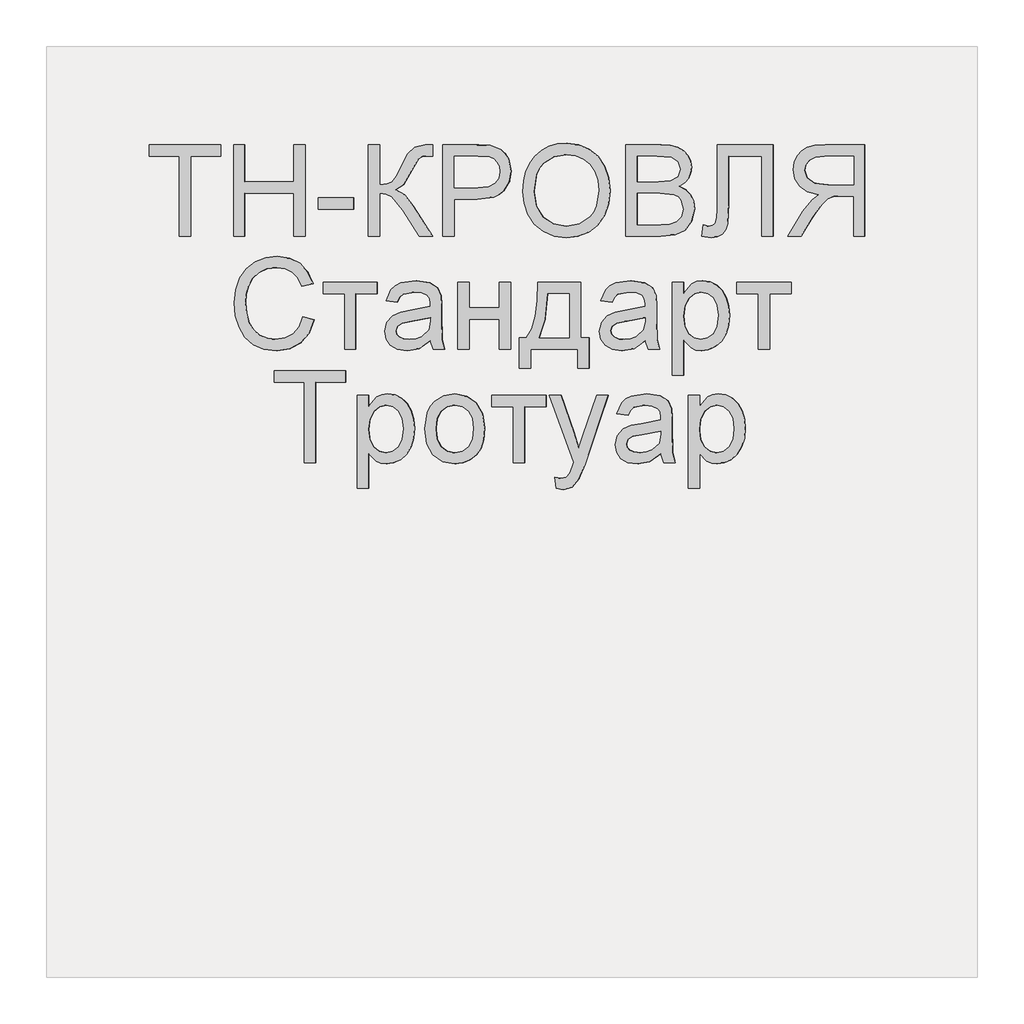
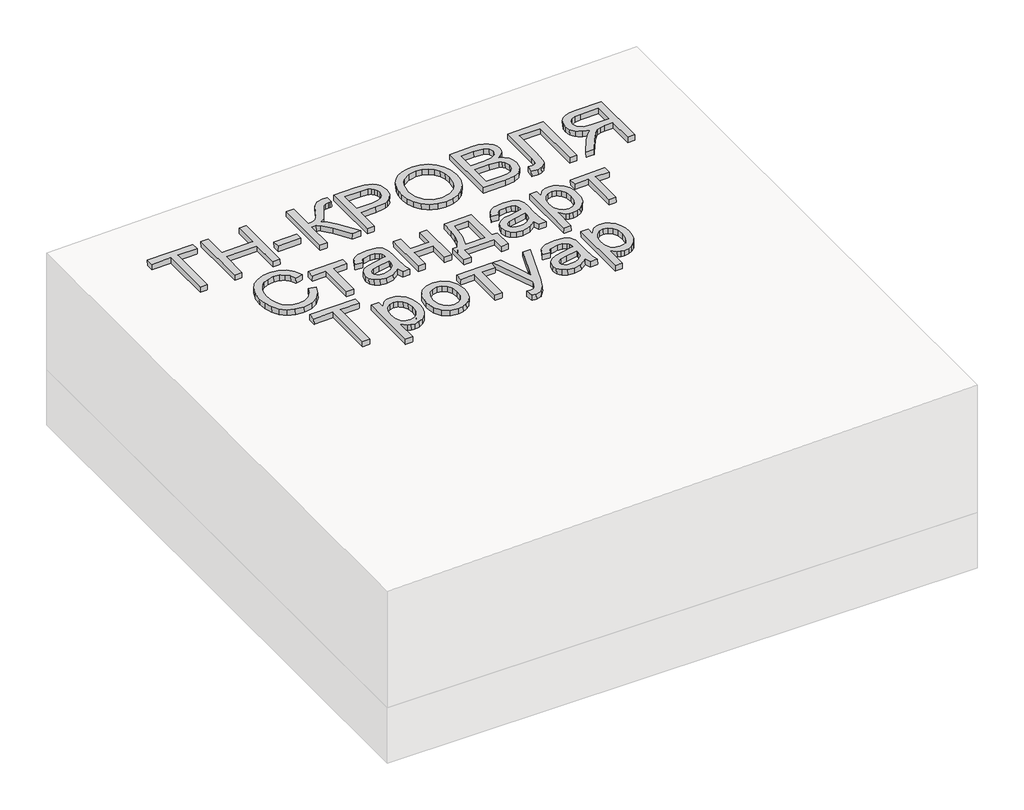
# One storey, part 3 of 3: 1 proxy.
"""IFC4 building model written with IfcOpenShell, lengths in millimetres."""

from ifc_helpers import new_model, si_unit, frame, origin, place, context, project, spatial, polyline, outline, extrude, element, save

model = new_model("IFC4")

# Units and contexts
model_context = context("Model", 3, world=origin())
ifc_project = project(units=[si_unit("LENGTHUNIT", "METRE", prefix="MILLI")], contexts=[model_context])

# Site, building, storey
site = spatial("IfcSite", under=ifc_project)
building = spatial("IfcBuilding", under=site)
storey = spatial("IfcBuildingStorey", under=building, Elevation=0.0)

# Proxy
placement = place(None, origin())
element("IfcBuildingElementProxy", 1, Name="Generic Models", at=placement, inside=storey, context=model_context, shape_type="SweptSolid", body=[
    extrude(outline(polyline([(24.6153846, 0.0), (24.6153846, -172.3076923), (89.2307692, -172.3076923), (89.2307692, -196.9230769), (-64.6153847, -196.9230769), (-64.6153847, -172.3076923), (0.0, -172.3076923), (0.0, 0.0), (24.6153846, 0.0)])), frame((64016.2780856, -4710.2316754, 423.1976498), z_axis=(-0.01999600119956399, 0.0, 0.9998000599800078), x_axis=(-0.9998000599800078, 0.0, -0.01999600119956399)), (0.0, 0.0, 1.0), 20.0),
    extrude(outline(polyline([(24.6153847, 0.0), (24.6153847, -196.9230769), (0.0, -196.9230769), (0.0, -116.9230769), (-104.6153846, -116.9230769), (-104.6153846, -196.9230769), (-129.2307692, -196.9230769), (-129.2307692, 0.0), (-104.6153846, 0.0), (-104.6153846, -92.3076923), (0.0, -92.3076923), (0.0, 0.0), (24.6153847, 0.0)])), frame((64133.177785, -4710.2316754, 425.5356438), z_axis=(-0.01999600119956399, 0.0, 0.9998000599800078), x_axis=(-0.9998000599800078, 0.0, -0.01999600119956399)), (0.0, 0.0, 1.0), 20.0),
    extrude(outline(polyline([(76.9230769, 0.0), (76.9230769, -24.6153846), (0.0, -24.6153846), (0.0, 0.0), (76.9230769, 0.0)])), frame((64366.9771836, -4651.7701369, 430.2116318), z_axis=(-0.01999600119956399, 0.0, 0.9998000599800078), x_axis=(-0.9998000599800078, 0.0, -0.01999600119956399)), (0.0, 0.0, 1.0), 20.0),
    extrude(outline(polyline([(196.9230769, 0.0), (196.9230769, -24.6153846), (110.7692308, -24.6153846), (112.3978365, -41.280048), (117.2836538, -52.1394231), (128.7800481, -60.9194711), (150.2403846, -71.3461539), (177.7644231, -84.9278846), (191.3942308, -100.3125), (196.9230769, -122.3076923), (196.6346154, -138.4615384), (172.0192308, -138.4615384), (172.1634615, -133.0288461), (172.3076923, -127.5961538), (170.8293269, -116.3221153), (166.3942308, -108.3653846), (141.0576923, -93.75), (110.1923077, -76.3221153), (100.0, -59.326923), (88.8701923, -78.3293269), (65.6730769, -97.0673076), (0.0, -138.4615384), (0.0, -109.9038462), (55.4807692, -74.9038462), (84.4471154, -50.2644231), (90.3425481, -38.8882211), (92.3076923, -24.6153846), (0.0, -24.6153846), (0.0, 0.0), (196.9230769, 0.0)])), frame((64397.7402624, -4710.2316754, 430.8268933), z_axis=(-0.019996001199563986, 0.0, 0.9998000599800078), x_axis=(0.0, 1.0, 0.0)), (0.0, 0.0, 1.0), 20.0),
    extrude(outline(polyline([(24.6153846, 0.0), (24.6153846, -196.9230769), (-48.3653846, -196.9230769), (-77.7884615, -195.0480769), (-101.7067307, -185.8413461), (-110.4026442, -177.6802885), (-117.2115385, -166.8028846), (-123.0769231, -139.9519231), (-119.1165866, -116.7427885), (-107.2355769, -97.4038461), (-97.7208533, -89.7896635), (-85.0180288, -84.3509615), (-50.0480769, -80.0), (0.0, -80.0), (0.0, 0.0), (24.6153846, 0.0)]), holes=[polyline([(0.0, -104.6153846), (-51.4903846, -104.6153846), (-73.3173077, -106.875), (-87.7403846, -113.6538461), (-95.78125, -124.53125), (-98.4615384, -139.0865385), (-96.8810096, -150.1442308), (-92.1394231, -159.4711538), (-84.8257212, -166.4903846), (-75.5288461, -170.625), (-50.9134615, -172.3076923), (0.0, -172.3076923), (0.0, -104.6153846)])]), frame((64582.318735, -4710.2316754, 434.5184628), z_axis=(-0.01999600119956399, 0.0, 0.9998000599800078), x_axis=(-0.9998000599800078, 0.0, -0.01999600119956399)), (0.0, 0.0, 1.0), 20.0),
    extrude(outline(polyline([(25.3428445, -1e-07), (48.1160484, -4.1938573), (67.8912361, -11.3545774), (84.6684074, -21.48216), (98.4475626, -34.5766053), (108.9049086, -49.9093782), (115.7166524, -66.7519435), (118.8827941, -85.1043011), (118.4033337, -104.9664513), (112.3116986, -130.2760815), (100.0658902, -152.2136344), (82.4868293, -169.6009172), (60.3954366, -181.2597367), (34.812491, -187.0380148), (6.7587717, -186.783673), (-21.0136463, -180.6528553), (-44.9882084, -168.8870738), (-63.9421569, -152.1247695), (-76.6527338, -131.0043836), (-83.1347827, -107.1750808), (-83.4031474, -82.2860261), (-77.1659621, -56.5935493), (-64.600884, -34.5586152), (-46.7404789, -17.2511253), (-24.6173127, -5.740981), (0.0, 0.0), (25.3428445, -1e-07)]), holes=[polyline([(22.3721769, -24.4366545), (-8.7890431, -25.9094148), (-33.7562618, -37.9787803), (-50.9832576, -58.3865327), (-58.9238091, -84.8744542), (-57.0179297, -112.8610055), (-44.5775814, -136.6179286), (-34.5460353, -146.3414542), (-22.1589798, -153.8699217), (9.6816594, -162.341683), (31.570013, -162.6815636), (50.9840871, -158.5364568), (67.4340475, -150.0149318), (80.43006, -137.2255582), (89.4380632, -121.0520254), (93.9239955, -102.3780232), (92.2935561, -75.5530128), (81.0850249, -51.6494365), (71.4163804, -41.5325654), (58.4080243, -33.6248114), (22.3721769, -24.4366545)])]), frame((64732.7934507, -4639.5525889, 437.5279571), z_axis=(-0.019996001199563993, 0.0, 0.9998000599800079), x_axis=(-0.11095588221386114, 0.9938228553011974, -0.0022191176442731913)), (0.0, 0.0, 1.0), 20.0),
    extrude(outline(polyline([(74.5673077, 0.0), (74.5673077, -196.9230769), (-0.576923, -196.9230769), (-21.2439904, -195.4747596), (-37.3798077, -191.1298077), (-49.7475961, -183.7800481), (-59.110577, -173.3173077), (-65.0060096, -161.0096154), (-66.9711538, -148.125), (-65.3185096, -136.2680288), (-60.3605769, -125.1201923), (-52.0612981, -115.3665865), (-40.3846154, -107.6923077), (-54.3329327, -100.4086538), (-64.6394231, -89.3269231), (-71.0036058, -75.1802885), (-73.125, -58.7019231), (-67.3317308, -32.2355769), (-52.9807693, -13.3894231), (-31.5625, -3.3894231), (0.0, 0.0), (74.5673077, 0.0)]), holes=[polyline([(49.9519231, -116.9230769), (5.0, -116.9230769), (-21.25, -119.0384615), (-37.0432692, -128.1490385), (-42.3557692, -144.1826923), (-37.4038461, -160.2403846), (-23.2211538, -169.7355769), (8.4134615, -172.3076923), (49.9519231, -172.3076923), (49.9519231, -116.9230769)]), polyline([(49.9519231, -24.6153846), (-0.5288461, -24.6153846), (-18.7980769, -25.5769231), (-34.2548077, -30.9375), (-44.4951924, -41.875), (-48.5096154, -58.4615385), (-43.7980769, -77.5961538), (-37.626202, -84.5132211), (-28.5336538, -89.0144231), (1.875, -92.3076923), (49.9519231, -92.3076923), (49.9519231, -24.6153846)])]), frame((65026.0280789, -4710.2316754, 443.3926497), z_axis=(-0.019996001199563986, 0.0, 0.9998000599800078), x_axis=(-0.9998000599800078, 0.0, -0.019996001199563986)), (0.0, 0.0, 1.0), 20.0),
    extrude(outline(polyline([(137.6442308, 0.0), (137.6442308, -120.0), (-59.2788461, -120.0), (-59.2788461, -95.3846154), (113.0288462, -95.3846154), (113.0288462, -24.6153846), (12.548077, -24.6153846), (-32.2836538, -21.7548078), (-44.951923, -17.3257212), (-54.4471153, -9.7596154), (-60.3786057, 0.6009616), (-62.3557692, 13.4134615), (-59.2788461, 33.8461538), (-34.6634615, 30.7692307), (-37.7403846, 18.9903845), (-36.0877403, 10.6670673), (-31.1298076, 4.7355769), (-20.0420673, 1.1838942), (0.0, 0.0), (137.6442308, 0.0)])), frame((65148.3593843, -4650.9528293, 445.8392758), z_axis=(-0.019996001199563986, 0.0, 0.9998000599800078), x_axis=(0.0, 1.0, 0.0)), (0.0, 0.0, 1.0), 20.0),
    extrude(outline(polyline([(24.6153846, -110.7692308), (0.0, -110.7692308), (0.0, -24.6153847), (-29.7115384, -24.6153847), (-43.9903845, -25.4807693), (-55.6971154, -30.1682693), (-68.7019231, -42.9326923), (-87.2115385, -69.9519231), (-112.8365384, -110.7692308), (-141.4423077, -110.7692308), (-108.6057692, -57.4038462), (-88.6538462, -32.0673077), (-74.6634615, -21.5384616), (-98.9122596, -15.0120193), (-115.889423, -3.2211539), (-125.8954326, 12.8605769), (-129.2307692, 32.2596153), (-127.2175481, 47.8545673), (-121.1778846, 62.0432692), (-111.7668269, 73.4855769), (-99.639423, 80.8413461), (-83.046875, 84.8257211), (-60.2403846, 86.1538461), (24.6153846, 86.1538461), (24.6153846, -110.7692308)]), holes=[polyline([(0.0, 0.0), (0.0, 61.5384615), (-61.2980769, 61.5384615), (-80.7752404, 59.4110577), (-94.2067307, 53.0288461), (-102.0132211, 43.3533653), (-104.6153846, 31.3461538), (-99.1586538, 14.639423), (-83.1971153, 3.4855769), (-55.0961538, 0.0), (0.0, 0.0)])]), frame((65440.6086326, -4599.4624446, 451.6842607), z_axis=(-0.019996001199563986, 0.0, 0.9998000599800078), x_axis=(0.9998000599800078, 0.0, 0.019996001199563986)), (0.0, 0.0, 1.0), 20.0),
    extrude(outline(polyline([(22.5354079, 0.0), (25.296308, -25.2699081), (-5.5506296, -24.7796777), (-31.452572, -15.5094536), (-51.7172012, 1.8643535), (-65.6521993, 26.6653331), (-72.7161385, 54.5176714), (-71.6541095, 79.1565775), (-62.9869172, 101.0084673), (-47.2353669, 120.4997568), (-26.1873801, 136.7174457), (-1.6308787, 148.7485329), (26.2607092, 156.1677693), (52.5465361, 156.7492124), (76.3287427, 150.6419577), (96.7094698, 137.9951011), (113.000055, 120.0196259), (124.5118356, 97.9265161), (130.46148, 71.3235407), (127.5854564, 46.3849146), (116.3008345, 24.0133528), (97.024684, 5.1115705), (82.8399673, 26.0666107), (96.6174416, 40.3925606), (104.0173216, 55.650124), (105.4046693, 72.1313637), (101.1445464, 90.1283426), (91.2118017, 108.9763124), (77.6877546, 122.4335433), (61.4947541, 130.4051578), (43.5551486, 132.7962781), (25.0378535, 130.8321413), (7.1117836, 125.7379848), (-13.5055529, 115.9656325), (-29.9321499, 103.8061216), (-41.3909419, 89.328116), (-47.1048631, 72.6002794), (-47.6221488, 54.9380281), (-43.4910345, 37.6567782), (-33.3749751, 19.5140243), (-18.757379, 6.7332199), (0.0, 0.0), (22.5354079, 0.0)])), frame((64249.8071057, -4904.3903293, 427.8682302), z_axis=(-0.01999600119956399, 0.0, 0.9998000599800079), x_axis=(0.35327287482616365, 0.9354936425344765, 0.0070654574965105105)), (0.0, 0.0, 1.0), 20.0),
    extrude(outline(polyline([(24.6153846, 0.0), (24.6153846, -116.9230769), (0.0, -116.9230769), (0.0, -70.7692307), (-120.0, -70.7692307), (-120.0, -46.1538461), (0.0, -46.1538461), (0.0, 0.0), (24.6153846, 0.0)])), frame((64300.8365643, -4833.3085985, 428.8888194), z_axis=(-0.019996001199563986, 0.0, 0.9998000599800078), x_axis=(0.0, 1.0, 0.0)), (0.0, 0.0, 1.0), 20.0),
    extrude(outline(polyline([(19.4601703, 0.0), (11.1819963, 27.9207833), (14.9143961, 54.4732733), (24.1902839, 73.0649574), (37.3011934, 84.6897486), (52.8826325, 89.3590492), (69.5701086, 87.0842617), (86.5521477, 76.4571844), (96.0465823, 60.2429097), (98.2586564, 41.3376585), (95.0355657, 19.9618777), (89.5623928, -23.2153749), (94.7162973, -25.0853756), (105.6740455, -26.9515756), (114.1004512, -24.401229), (122.7587066, -15.3020791), (129.4557418, -0.8361791), (132.8384667, 24.2872046), (128.8153045, 32.9891694), (120.6530554, 40.8663575), (131.356149, 63.2455533), (150.7935144, 45.5413593), (155.5977439, 34.3745663), (157.376525, 20.7448456), (151.804531, -11.6304923), (138.2204199, -38.5478606), (122.4698447, -51.0601419), (104.2335367, -52.9377443), (83.4202766, -47.266929), (54.3668506, -37.5824537), (13.4016719, -25.2450099), (-7.7840681, -23.3522042), (0.0, 0.0), (19.4601703, 0.0)]), holes=[polyline([(66.1645788, -15.5681361), (71.5617354, 24.4924486), (74.4731593, 45.8454244), (71.3488898, 56.9970142), (63.4279923, 63.1847402), (55.9042801, 63.7605636), (48.4755881, 60.4405522), (41.8184616, 53.1258847), (36.6094453, 41.7177399), (33.8253486, 28.7094523), (34.3213549, 16.2294779), (42.7667647, -3.5119525), (59.5967713, -13.2268344), (66.1645788, -15.5681361)])]), frame((64537.7122708, -4953.3085985, 433.6263335), z_axis=(-0.01999600119956399, 0.0, 0.9998000599800079), x_axis=(-0.31616453943106126, 0.9486832980504862, -0.006323290788609771)), (0.0, 0.0, 1.0), 20.0),
    extrude(outline(polyline([(144.6153846, 0.0), (144.6153846, -24.6153846), (89.2307692, -24.6153846), (89.2307692, -89.2307692), (144.6153846, -89.2307692), (144.6153846, -113.8461538), (0.0, -113.8461538), (0.0, -89.2307692), (64.6153846, -89.2307692), (64.6153846, -24.6153846), (0.0, -24.6153846), (0.0, 0.0), (144.6153846, 0.0)])), frame((64590.0095047, -4953.3085985, 434.6722782), z_axis=(-0.019996001199563986, 0.0, 0.9998000599800078), x_axis=(0.0, 1.0, 0.0)), (0.0, 0.0, 1.0), 20.0),
    extrude(outline(polyline([(39.8055302, 0.0), (42.4115803, -92.2708977), (-77.5405867, -95.6587629), (-77.0193766, -114.1129423), (-141.609005, -115.9371774), (-142.3039517, -91.3316047), (-102.319896, -90.2023163), (-105.1865512, 11.2956711), (-145.1706069, 10.1663827), (-145.8655536, 34.7719554), (-81.2759252, 36.5961905), (-80.8415835, 21.2177075), (-60.3235569, 10.6088538), (-33.3763624, 3.5362846), (0.0, 0.0), (39.8055302, 0.0)]), holes=[polyline([(15.8080359, -22.2248228), (-40.4142184, -18.041203), (-80.0597685, -6.4635618), (-78.2355334, -71.0531902), (17.1110609, -68.3602717), (15.8080359, -22.2248228)])]), frame((64761.1591724, -4848.4828773, 438.0952715), z_axis=(-0.019996001199563983, 0.0, 0.9998000599800078), x_axis=(0.028226564925627008, 0.9996013917241774, 0.0005645312985115364)), (0.0, 0.0, 1.0), 20.0),
    extrude(outline(polyline([(19.4601703, 0.0), (11.1819963, 27.9207833), (14.9143961, 54.4732733), (24.1902839, 73.0649574), (37.3011934, 84.6897486), (52.8826325, 89.3590492), (69.5701086, 87.0842617), (86.5521477, 76.4571844), (96.0465823, 60.2429097), (98.2586564, 41.3376585), (95.0355657, 19.9618777), (89.5623928, -23.2153749), (94.7162973, -25.0853756), (105.6740455, -26.9515756), (114.1004512, -24.4012291), (122.7587066, -15.3020791), (129.4557417, -0.8361792), (132.8384667, 24.2872046), (128.8153045, 32.9891694), (120.6530554, 40.8663574), (131.3561489, 63.2455532), (150.7935143, 45.5413592), (155.5977439, 34.3745663), (157.376525, 20.7448455), (151.8045309, -11.6304924), (138.2204199, -38.5478606), (122.4698447, -51.0601419), (104.2335367, -52.9377443), (83.4202766, -47.2669291), (54.3668506, -37.5824538), (13.4016719, -25.2450099), (-7.7840681, -23.3522042), (0.0, 0.0), (19.4601703, 0.0)]), holes=[polyline([(66.1645788, -15.5681361), (71.5617354, 24.4924486), (74.4731593, 45.8454244), (71.3488898, 56.9970142), (63.4279923, 63.1847402), (55.9042801, 63.7605636), (48.4755881, 60.4405521), (41.8184615, 53.1258846), (36.6094453, 41.7177399), (33.8253486, 28.7094523), (34.3213549, 16.2294779), (42.7667647, -3.5119526), (59.5967713, -13.2268344), (66.1645788, -15.5681361)])]), frame((64999.1584523, -4953.3085985, 442.8552571), z_axis=(-0.01999600119956399, 0.0, 0.9998000599800078), x_axis=(-0.31616453943106115, 0.9486832980504862, -0.006323290788609769)), (0.0, 0.0, 1.0), 20.0),
    extrude(outline(polyline([(24.6153846, 0.0), (24.6153846, -200.0), (0.0, -200.0), (0.0, -175.8653846), (-17.0192308, -196.2740385), (-27.5, -201.376202), (-40.0, -203.0769231), (-56.6466346, -200.6971154), (-71.2019231, -193.5576923), (-83.0528846, -182.0913462), (-91.5865385, -166.7307693), (-96.7427885, -148.59375), (-98.4615385, -128.798077), (-96.5204327, -107.7463943), (-90.6971154, -88.9182693), (-81.1778846, -73.2692308), (-68.1490385, -61.7548077), (-52.9747597, -54.6694712), (-37.0192308, -52.3076923), (-25.703125, -53.8882212), (-15.6009616, -58.6298077), (0.0, -74.6153846), (0.0, 0.0), (24.6153846, 0.0)]), holes=[polyline([(0.0, -126.5384616), (-2.6622596, -104.4711539), (-10.6490385, -89.0384616), (-22.4338942, -79.9519231), (-36.4903846, -76.923077), (-50.7752404, -80.0600962), (-62.8605769, -89.4711539), (-71.0997596, -105.46875), (-73.8461539, -128.3653846), (-71.1658654, -150.3125), (-63.125, -165.9615385), (-51.3581731, -175.3365385), (-37.5, -178.4615385), (-23.5877404, -175.1382212), (-11.3701924, -165.1682693), (-2.8425481, -148.8641827), (0.0, -126.5384616)])]), frame((65076.0661492, -5008.6932139, 444.3934111), z_axis=(-0.01999600119956399, 0.0, 0.9998000599800078), x_axis=(-0.9998000599800078, 0.0, -0.01999600119956399)), (0.0, 0.0, 1.0), 20.0),
    extrude(outline(polyline([(24.6153846, 0.0), (24.6153846, -116.9230769), (0.0, -116.9230769), (0.0, -70.7692307), (-120.0, -70.7692307), (-120.0, -46.1538461), (0.0, -46.1538461), (0.0, 0.0), (24.6153846, 0.0)])), frame((65189.8895407, -4833.3085985, 446.6698789), z_axis=(-0.019996001199563986, 0.0, 0.9998000599800078), x_axis=(0.0, 1.0, 0.0)), (0.0, 0.0, 1.0), 20.0),
    extrude(outline(polyline([(24.6153846, 0.0), (24.6153846, -172.3076923), (89.2307693, -172.3076923), (89.2307693, -196.923077), (-64.6153846, -196.923077), (-64.6153846, -172.3076923), (0.0, -172.3076923), (0.0, 0.0), (24.6153846, 0.0)])), frame((64285.4550249, -5196.3855216, 428.5811886), z_axis=(-0.01999600119956399, 0.0, 0.9998000599800078), x_axis=(-0.9998000599800078, 0.0, -0.01999600119956399)), (0.0, 0.0, 1.0), 20.0),
    extrude(outline(polyline([(24.6153846, 0.0), (24.6153846, -200.0), (0.0, -200.0), (0.0, -175.8653846), (-17.0192308, -196.2740384), (-27.5000001, -201.3762019), (-40.0, -203.076923), (-56.6466346, -200.6971153), (-71.2019231, -193.5576923), (-83.0528846, -182.0913461), (-91.5865385, -166.7307692), (-96.7427885, -148.59375), (-98.4615385, -128.7980769), (-96.5204327, -107.7463942), (-90.6971154, -88.9182692), (-81.1778846, -73.2692307), (-68.1490385, -61.7548076), (-52.9747597, -54.6694711), (-37.0192308, -52.3076923), (-25.703125, -53.8882211), (-15.6009616, -58.6298076), (0.0, -74.6153846), (0.0, 0.0), (24.6153846, 0.0)]), holes=[polyline([(0.0, -126.5384615), (-2.6622596, -104.4711538), (-10.6490385, -89.0384615), (-22.4338942, -79.951923), (-36.4903846, -76.9230769), (-50.7752404, -80.0600961), (-62.8605769, -89.4711538), (-71.0997596, -105.46875), (-73.8461539, -128.3653846), (-71.1658654, -150.3125), (-63.125, -165.9615384), (-51.3581731, -175.3365384), (-37.5000001, -178.4615384), (-23.5877404, -175.1382211), (-11.3701924, -165.1682692), (-2.842548, -148.8641826), (0.0, -126.5384615)])]), frame((64399.2784163, -5251.7701369, 430.8576564), z_axis=(-0.01999600119956399, 0.0, 0.9998000599800078), x_axis=(-0.9998000599800078, 0.0, -0.01999600119956399)), (0.0, 0.0, 1.0), 20.0),
    extrude(outline(polyline([(32.5671659, 0.0), (66.3756557, -10.0548094), (78.8838582, -18.5052064), (88.4613656, -29.2375981), (97.649326, -50.4330577), (98.3741513, -74.3884679), (90.0009116, -99.3354124), (72.6856707, -117.7907263), (47.8333954, -128.0195983), (16.8490522, -128.2872164), (-7.510343, -122.9013502), (-25.4412051, -114.3768481), (-38.1401426, -102.7240242), (-46.8037642, -87.9531932), (-51.1686245, -71.2292641), (-50.9712784, -53.7171463), (-42.5730517, -28.458181), (-25.3146824, -10.019263), (0.0, 0.0), (32.5671659, 0.0)]), holes=[polyline([(29.2398792, -24.3895189), (6.782062, -24.1567839), (-10.1111099, -30.4456966), (-21.285845, -41.8821547), (-26.5883511, -57.0920559), (-25.5887936, -73.1014407), (-17.8837038, -87.1268409), (-3.1255027, -97.7967093), (19.0333892, -103.7394986), (40.850769, -103.8653881), (57.5370535, -97.4932375), (68.7109646, -86.0627322), (73.991224, -71.0135582), (73.0313182, -54.9368589), (65.4188173, -40.9000065), (50.9046835, -30.2639203), (29.2398792, -24.3895189)])]), frame((64523.718675, -5156.3374446, 433.3464616), z_axis=(-0.01999600119956399, 0.0, 0.9998000599800079), x_axis=(-0.13707829158736948, 0.9905564223164062, -0.0027415658317424133)), (0.0, 0.0, 1.0), 20.0),
    extrude(outline(polyline([(24.6153847, 0.0), (24.6153847, -116.9230769), (0.0, -116.9230769), (0.0, -70.7692308), (-120.0, -70.7692308), (-120.0, -46.1538462), (0.0, -46.1538462), (0.0, 0.0), (24.6153847, 0.0)])), frame((64663.8408937, -5076.3855216, 436.148906), z_axis=(-0.019996001199563986, 0.0, 0.9998000599800078), x_axis=(0.0, 1.0, 0.0)), (0.0, 0.0, 1.0), 20.0),
    extrude(outline(polyline([(15.3594295, 0.0), (23.1221377, -22.6050652), (10.4421246, -22.9895589), (-0.4595865, -27.9912115), (-5.9609304, -36.8448733), (-8.9243154, -55.9508208), (-9.6141466, -62.1767584), (70.4977724, -192.8638109), (45.062503, -198.0646327), (1.8004234, -124.9608813), (-14.1007583, -95.4323724), (-17.8859515, -125.1586209), (-28.9823924, -213.204803), (-54.2292525, -218.3671003), (-34.5770381, -63.2080441), (-28.198808, -29.1240005), (-17.6862555, -9.2595998), (0.0, 0.0), (15.3594295, 0.0)])), frame((64817.3198164, -5254.84706, 439.2184844), z_axis=(-0.01999600119956399, 0.0, 0.9998000599800078), x_axis=(-0.9795330097289052, 0.20032795332797337, -0.01959066019454267)), (0.0, 0.0, 1.0), 20.0),
    extrude(outline(polyline([(19.4601702, -1e-07), (11.1819963, 27.9207832), (14.9143962, 54.4732733), (24.1902839, 73.0649574), (37.3011935, 84.6897485), (52.8826325, 89.3590492), (69.5701086, 87.0842617), (86.5521477, 76.4571843), (96.0465823, 60.2429097), (98.2586563, 41.3376584), (95.0355657, 19.9618776), (89.5623927, -23.215375), (94.7162973, -25.0853757), (105.6740454, -26.9515756), (114.1004512, -24.4012291), (122.7587066, -15.3020792), (129.4557417, -0.8361792), (132.8384667, 24.2872046), (128.8153045, 32.9891693), (120.6530554, 40.8663574), (131.356149, 63.2455531), (150.7935143, 45.5413592), (155.5977438, 34.3745662), (157.3765251, 20.7448455), (151.8045309, -11.6304924), (138.2204199, -38.5478606), (122.4698447, -51.060142), (104.2335367, -52.9377443), (83.4202766, -47.2669291), (54.3668506, -37.5824538), (13.4016719, -25.2450099), (-7.7840681, -23.3522043), (0.0, 0.0), (19.4601702, -1e-07)]), holes=[polyline([(66.1645787, -15.5681362), (71.5617353, 24.4924485), (74.4731593, 45.8454244), (71.3488897, 56.9970141), (63.4279923, 63.1847402), (55.90428, 63.7605635), (48.4755881, 60.4405521), (41.8184615, 53.1258846), (36.6094453, 41.7177398), (33.8253486, 28.7094523), (34.321355, 16.2294778), (42.7667647, -3.5119526), (59.5967713, -13.2268345), (66.1645787, -15.5681362)])]), frame((65032.9978389, -5196.3855216, 443.5320449), z_axis=(-0.01999600119956399, 0.0, 0.9998000599800079), x_axis=(-0.31616453943106126, 0.9486832980504862, -0.006323290788609771)), (0.0, 0.0, 1.0), 20.0),
    extrude(outline(polyline([(24.6153846, 0.0), (24.6153846, -200.0), (0.0, -200.0), (0.0, -175.8653846), (-17.0192307, -196.2740384), (-27.4999999, -201.3762019), (-40.0, -203.076923), (-56.6466346, -200.6971153), (-71.201923, -193.5576923), (-83.0528846, -182.0913461), (-91.5865384, -166.7307692), (-96.7427885, -148.59375), (-98.4615384, -128.7980769), (-96.5204327, -107.7463942), (-90.6971154, -88.9182692), (-81.1778846, -73.2692307), (-68.1490384, -61.7548076), (-52.9747596, -54.6694711), (-37.0192307, -52.3076923), (-25.703125, -53.8882211), (-15.6009615, -58.6298076), (0.0, -74.6153846), (0.0, 0.0), (24.6153846, 0.0)]), holes=[polyline([(0.0, -126.5384615), (-2.6622596, -104.4711538), (-10.6490385, -89.0384615), (-22.4338942, -79.951923), (-36.4903846, -76.9230769), (-50.7752403, -80.0600961), (-62.8605768, -89.4711538), (-71.0997596, -105.46875), (-73.8461538, -128.3653846), (-71.1658653, -150.3125), (-63.125, -165.9615384), (-51.3581731, -175.3365384), (-37.5, -178.4615384), (-23.5877403, -175.1382211), (-11.3701923, -165.1682692), (-2.842548, -148.8641826), (0.0, -126.5384615)])]), frame((65109.9055359, -5251.7701369, 445.0701988), z_axis=(-0.01999600119956399, 0.0, 0.9998000599800078), x_axis=(-0.9998000599800078, 0.0, -0.01999600119956399)), (0.0, 0.0, 1.0), 20.0),
])

save(model, "model.ifc")
